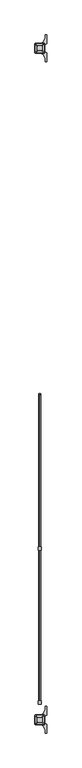
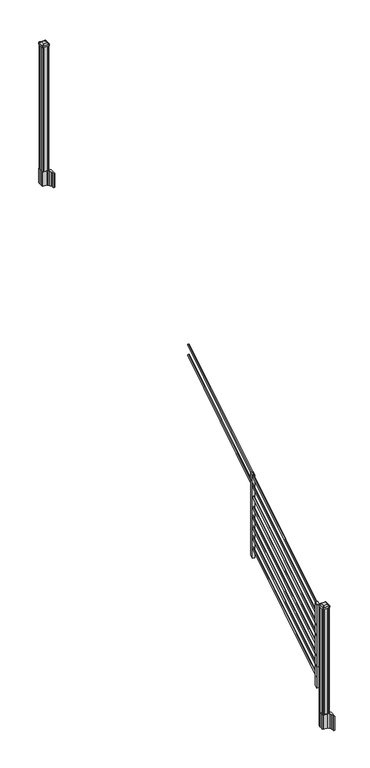
"""IFC4 building model written with IfcOpenShell, lengths in millimetres: railing geometry."""

from ifc_helpers import new_model, si_unit, point, frame, frame_2d, origin, origin_2d, place, context, project, spatial, polyline, circle_curve, trimmed, segment, composite_curve, outline, extrude, source, transform, mapped, element, save
from ifc_brep_helpers import plane_surface, extruded_surface, advanced_brep


def railing_e42d19f9(model_context):
    return source(origin(), model_context, "Body", "SolidModel", [
        extrude(outline(composite_curve([segment(trimmed(circle_curve(origin_2d(), 8.001), [point((0.0, -8.001))], [point((0.0, 8.001))], False, "CARTESIAN"), True, "CONTINUOUS"), segment(trimmed(circle_curve(origin_2d(), 8.001), [point((0.0, 8.001))], [point((0.0, -8.001))], False, "CARTESIAN"), True, "CONTINUOUS")], self_intersect=False)), frame((10055.5759347, -141507.6308453, 1880.2290853), z_axis=(0.0, 0.8479983040051253, 0.5299989400031202), x_axis=(-1.0, 0.0, 0.0)), (0.0, 0.0, 1.0), 1347.8800542),
        extrude(outline(composite_curve([segment(trimmed(circle_curve(origin_2d(), 8.001), [point((0.0, -8.001))], [point((0.0, 8.001))], False, "CARTESIAN"), True, "CONTINUOUS"), segment(trimmed(circle_curve(origin_2d(), 8.001), [point((0.0, 8.001))], [point((0.0, -8.001))], False, "CARTESIAN"), True, "CONTINUOUS")], self_intersect=False)), frame((10055.5759347, -141507.6308453, 1991.4189969), z_axis=(0.0, 0.8479983040051254, 0.5299989400031201), x_axis=(-1.0, 0.0, 0.0)), (0.0, 0.0, 1.0), 1347.8800542),
        extrude(outline(polyline([(-141489.8508453, 1123.1203781), (-141515.2508453, 1107.2453781), (-141515.2508453, 2000.5675), (-141489.8508453, 2016.4425), (-141489.8508453, 1123.1203781)])), frame((10042.5657728, 0.0, 0.0), z_axis=(1.0, 0.0, 0.0), x_axis=(0.0, 1.0, 0.0)), (0.0, 0.0, 1.0), 25.4),
        extrude(outline(composite_curve([segment(trimmed(circle_curve(origin_2d(), 8.001), [point((0.0, -8.001))], [point((0.0, 8.001))], False, "CARTESIAN"), True, "CONTINUOUS"), segment(trimmed(circle_curve(origin_2d(), 8.001), [point((0.0, 8.001))], [point((0.0, -8.001))], False, "CARTESIAN"), True, "CONTINUOUS")], self_intersect=False)), frame((10055.5759347, -142640.4708453, 505.0646159), z_axis=(0.0, 0.8479983040051253, 0.5299989400031202), x_axis=(-1.0, 0.0, 0.0)), (0.0, 0.0, 1.0), 1347.8800542),
        extrude(outline(composite_curve([segment(trimmed(circle_curve(origin_2d(), 8.001), [point((0.0, -8.001))], [point((0.0, 8.001))], False, "CARTESIAN"), True, "CONTINUOUS"), segment(trimmed(circle_curve(origin_2d(), 8.001), [point((0.0, 8.001))], [point((0.0, -8.001))], False, "CARTESIAN"), True, "CONTINUOUS")], self_intersect=False)), frame((10055.5759347, -142640.4708453, 616.2545274), z_axis=(0.0, 0.8479983040051253, 0.5299989400031202), x_axis=(-1.0, 0.0, 0.0)), (0.0, 0.0, 1.0), 1347.8800542),
        extrude(outline(composite_curve([segment(trimmed(circle_curve(origin_2d(), 8.001), [point((0.0, -8.001))], [point((0.0, 8.001))], False, "CARTESIAN"), True, "CONTINUOUS"), segment(trimmed(circle_curve(origin_2d(), 8.001), [point((0.0, 8.001))], [point((0.0, -8.001))], False, "CARTESIAN"), True, "CONTINUOUS")], self_intersect=False)), frame((10055.5759347, -142640.4708453, 727.444439), z_axis=(0.0, 0.8479983040051254, 0.5299989400031202), x_axis=(-1.0, 0.0, 0.0)), (0.0, 0.0, 1.0), 1347.8800542),
        extrude(outline(composite_curve([segment(trimmed(circle_curve(origin_2d(), 8.001), [point((0.0, -8.001))], [point((0.0, 8.001))], False, "CARTESIAN"), True, "CONTINUOUS"), segment(trimmed(circle_curve(origin_2d(), 8.001), [point((0.0, 8.001))], [point((0.0, -8.001))], False, "CARTESIAN"), True, "CONTINUOUS")], self_intersect=False)), frame((10055.5759347, -142640.4708453, 838.6343506), z_axis=(0.0, 0.8479983040051254, 0.5299989400031202), x_axis=(-1.0, 0.0, 0.0)), (0.0, 0.0, 1.0), 1347.8800542),
        extrude(outline(composite_curve([segment(trimmed(circle_curve(origin_2d(), 8.001), [point((0.0, -8.001))], [point((0.0, 8.001))], False, "CARTESIAN"), True, "CONTINUOUS"), segment(trimmed(circle_curve(origin_2d(), 8.001), [point((0.0, 8.001))], [point((0.0, -8.001))], False, "CARTESIAN"), True, "CONTINUOUS")], self_intersect=False)), frame((10055.5759347, -142640.4708453, 949.8242622), z_axis=(0.0, 0.8479983040051253, 0.5299989400031203), x_axis=(-1.0, 0.0, 0.0)), (0.0, 0.0, 1.0), 1347.8800542),
        extrude(outline(composite_curve([segment(trimmed(circle_curve(origin_2d(), 8.001), [point((0.0, -8.001))], [point((0.0, 8.001))], False, "CARTESIAN"), True, "CONTINUOUS"), segment(trimmed(circle_curve(origin_2d(), 8.001), [point((0.0, 8.001))], [point((0.0, -8.001))], False, "CARTESIAN"), True, "CONTINUOUS")], self_intersect=False)), frame((10055.5759347, -142640.4708453, 1061.0141737), z_axis=(0.0, 0.8479983040051253, 0.5299989400031203), x_axis=(-1.0, 0.0, 0.0)), (0.0, 0.0, 1.0), 1347.8800542),
        extrude(outline(composite_curve([segment(trimmed(circle_curve(origin_2d(), 8.001), [point((0.0, -8.001))], [point((0.0, 8.001))], False, "CARTESIAN"), True, "CONTINUOUS"), segment(trimmed(circle_curve(origin_2d(), 8.001), [point((0.0, 8.001))], [point((0.0, -8.001))], False, "CARTESIAN"), True, "CONTINUOUS")], self_intersect=False)), frame((10055.5759347, -142640.4708453, 1172.2040853), z_axis=(0.0, 0.8479983040051253, 0.5299989400031202), x_axis=(-1.0, 0.0, 0.0)), (0.0, 0.0, 1.0), 1347.8800542),
        extrude(outline(composite_curve([segment(trimmed(circle_curve(origin_2d(), 8.001), [point((0.0, -8.001))], [point((0.0, 8.001))], False, "CARTESIAN"), True, "CONTINUOUS"), segment(trimmed(circle_curve(origin_2d(), 8.001), [point((0.0, 8.001))], [point((0.0, -8.001))], False, "CARTESIAN"), True, "CONTINUOUS")], self_intersect=False)), frame((10055.5759347, -142640.4708453, 1283.3939969), z_axis=(0.0, 0.8479983040051254, 0.5299989400031201), x_axis=(-1.0, 0.0, 0.0)), (0.0, 0.0, 1.0), 1347.8800542),
        extrude(outline(polyline([(-142622.6908453, 415.0953781), (-142648.0908453, 399.2203781), (-142648.0908453, 1292.5425), (-142622.6908453, 1308.4175), (-142622.6908453, 415.0953781)])), frame((10042.5657728, 0.0, 0.0), z_axis=(1.0, 0.0, 0.0), x_axis=(0.0, 1.0, 0.0)), (0.0, 0.0, 1.0), 25.4),
        extrude(outline(polyline([(10085.4282728, -137852.0628453), (10075.0777728, -137852.0628453), (10074.3157728, -137850.4753453), (10036.2157728, -137850.4753453), (10035.4537728, -137852.0628453), (10025.1032728, -137852.0628453), (10023.5157728, -137850.4753453), (10023.5157728, -137840.1248453), (10025.1032728, -137839.3628453), (10025.1032728, -137801.2628453), (10023.5157728, -137800.5008453), (10023.5157728, -137790.1503453), (10025.1032728, -137788.5628453), (10035.4537728, -137788.5628453), (10036.2157728, -137790.1503453), (10074.3157728, -137790.1503453), (10075.0777728, -137788.5628453), (10085.4282728, -137788.5628453), (10087.0157728, -137790.1503453), (10087.0157728, -137800.5008453), (10085.4282728, -137801.2628453), (10085.4282728, -137839.3628453), (10087.0157728, -137840.1248453), (10087.0157728, -137850.4753453), (10085.4282728, -137852.0628453)])), frame((0.0, 0.0, 3048.0), z_axis=(0.0, 0.0, 1.0), x_axis=(1.0, 0.0, 0.0)), (0.0, 0.0, 1.0), 1339.974263),
        extrude(outline(composite_curve([segment(polyline([(10022.2140228, -137837.4449401), (10022.2140228, -137803.1807504), (10020.6265228, -137802.4187504), (10020.6265228, -137788.8878224), (10023.8407498, -137785.6735953), (10075.5214206, -137785.6735953), (10075.5214206, -137784.7528453), (10071.1710895, -137784.7528453), (10071.1710895, -137783.2985906), (10066.7976348, -137783.2985906), (10066.7976348, -137782.0145668), (10068.464907, -137782.0145668)]), True, "CONTINUOUS"), segment(trimmed(circle_curve(frame_2d((10068.464907, -137765.2713569)), 16.7432099), [point((10068.464907, -137782.0145668))], [point((10085.0870293, -137767.2813636))], True, "CARTESIAN"), True, "CONTINUOUS"), segment(polyline([(10085.0870293, -137767.2813636), (10092.8024736, -137750.2460251)]), True, "CONTINUOUS"), segment(trimmed(circle_curve(frame_2d((10047.7017103, -137733.9739755)), 47.9464123), [point((10092.8024736, -137750.2460251))], [point((10095.6481226, -137733.9739755))], True, "CARTESIAN"), True, "CONTINUOUS"), segment(polyline([(10095.6481226, -137733.9739755), (10095.6481226, -137721.9652359), (10107.8517103, -137721.9652359), (10107.8517103, -137787.2610953), (10089.9050228, -137798.8375116), (10089.9050228, -137802.4187504), (10088.3175228, -137803.1807504), (10088.3175228, -137837.4449401), (10089.9050228, -137838.2069401), (10089.9050228, -137841.788179), (10107.8517103, -137853.3645953), (10107.8517103, -137918.6604547), (10095.6481226, -137918.6604547), (10095.6481226, -137906.6517151)]), True, "CONTINUOUS"), segment(trimmed(circle_curve(frame_2d((10047.7017103, -137906.6517151)), 47.9464123), [point((10095.6481226, -137906.6517151))], [point((10092.8024736, -137890.3796654))], True, "CARTESIAN"), True, "CONTINUOUS"), segment(polyline([(10092.8024736, -137890.3796654), (10085.0870293, -137873.344327)]), True, "CONTINUOUS"), segment(trimmed(circle_curve(frame_2d((10068.464907, -137875.3543337)), 16.7432099), [point((10085.0870293, -137873.344327))], [point((10068.464907, -137858.6111238))], True, "CARTESIAN"), True, "CONTINUOUS"), segment(polyline([(10068.464907, -137858.6111238), (10076.2556192, -137858.6111238), (10076.2556192, -137857.3271), (10071.1710895, -137857.3271), (10071.1710895, -137855.8728453), (10075.5214206, -137855.8728453), (10075.5214206, -137854.9520953), (10023.8407498, -137854.9520953), (10020.6265228, -137851.7378682), (10020.6265228, -137838.2069401), (10022.2140228, -137837.4449401)]), True, "CONTINUOUS")], self_intersect=False), holes=[polyline([(10087.0157728, -137790.1503453), (10085.4282728, -137788.5628453), (10058.0289902, -137788.5628453), (10025.1032728, -137788.5628453), (10023.5157728, -137790.1503453), (10023.5157728, -137850.4753453), (10025.1032728, -137852.0628453), (10058.0289902, -137852.0628453), (10085.4282728, -137852.0628453), (10087.0157728, -137850.4753453), (10087.0157728, -137790.1503453)])]), frame((0.0, 0.0, 2895.6), z_axis=(0.0, 0.0, 1.0), x_axis=(1.0, 0.0, 0.0)), (0.0, 0.0, 1.0), 152.4),
        advanced_brep(
        [(10071.1407728, -137839.3628453, 4416.549263), (10074.3157728, -137836.1878453, 4416.549263), (10074.3157728, -137804.4378453, 4416.549263), (10071.1407728, -137801.2628453, 4416.549263), (10039.3907728, -137801.2628453, 4416.549263), (10036.2157728, -137804.4378453, 4416.549263), (10036.2157728, -137836.1878453, 4416.549263), (10039.3907728, -137839.3628453, 4416.549263), (10087.6507728, -137855.8728453, 4405.246263), (10022.8807728, -137855.8728453, 4405.246263), (10019.7057728, -137852.6978453, 4405.246263), (10019.7057728, -137787.9278453, 4405.246263), (10022.8807728, -137784.7528453, 4405.246263), (10087.6507728, -137784.7528453, 4405.246263), (10090.8257728, -137787.9278453, 4405.246263), (10090.8257728, -137852.6978453, 4405.246263)],
        [
            (0, 1, circle_curve(frame((10071.1407728, -137836.1878453, 4416.549263), z_axis=(0.0, 0.0, 1.0), x_axis=(0.0, 1.0, 0.0)), 3.175)),
            (1, 2),
            (2, 3, circle_curve(frame((10071.1407728, -137804.4378453, 4416.549263), z_axis=(0.0, 0.0, 1.0), x_axis=(0.0, 1.0, 0.0)), 3.175)),
            (3, 4),
            (4, 5, circle_curve(frame((10039.3907728, -137804.4378453, 4416.549263), z_axis=(0.0, 0.0, 1.0), x_axis=(0.0, 1.0, 0.0)), 3.175)),
            (5, 6),
            (6, 7, circle_curve(frame((10039.3907728, -137836.1878453, 4416.549263), z_axis=(0.0, 0.0, 1.0), x_axis=(0.0, 1.0, 0.0)), 3.175)),
            (7, 0),
            (8, 9),
            (9, 10, circle_curve(frame((10022.8807728, -137852.6978453, 4405.246263), z_axis=(0.0, 0.0, -1.0), x_axis=(0.0, 1.0, 0.0)), 3.175)),
            (10, 11),
            (11, 12, circle_curve(frame((10022.8807728, -137787.9278453, 4405.246263), z_axis=(0.0, 0.0, -1.0), x_axis=(0.0, 1.0, 0.0)), 3.175)),
            (12, 13),
            (13, 14, circle_curve(frame((10087.6507728, -137787.9278453, 4405.246263), z_axis=(0.0, 0.0, -1.0), x_axis=(0.0, 1.0, 0.0)), 3.175)),
            (14, 15),
            (15, 8, circle_curve(frame((10087.6507728, -137852.6978453, 4405.246263), z_axis=(0.0, 0.0, -1.0), x_axis=(0.0, 1.0, 0.0)), 3.175)),
            (15, 1),
            (0, 8),
            (14, 2),
            (13, 3),
            (12, 4),
            (11, 5),
            (10, 6),
            (9, 7),
        ],
        [
            plane_surface(frame((10055.2657728, -137820.3128453, 4416.549263), z_axis=(0.0, 0.0, 1.0), x_axis=(1.0, 0.0, 0.0))),
            plane_surface(frame((10055.2657728, -137820.3128453, 4405.246263), z_axis=(0.0, 0.0, -1.0), x_axis=(1.0, 0.0, 0.0))),
            extruded_surface(trimmed(circle_curve(frame((10087.6507728, -137852.6978453, 4405.246263), z_axis=(0.0, 0.0, 1.0), x_axis=(0.0, 1.0, 0.0)), 3.175), [point((10087.6507728, -137855.8728453, 4405.246263))], [point((10090.8257728, -137852.6978453, 4405.246263))], True, "CARTESIAN"), (-16.51000000000022, 16.50999999998021, 11.302999999999884), 25.940663233605864),
            plane_surface(frame((10090.8257728, -137820.3128453, 4405.246263), z_axis=(0.5649114395471312, 0.0, 0.8251515409116001), x_axis=(0.0, 1.0, 0.0))),
            extruded_surface(trimmed(circle_curve(frame((10087.6507728, -137787.9278453, 4405.246263), z_axis=(0.0, 0.0, 1.0), x_axis=(0.0, 1.0, 0.0)), 3.175), [point((10090.8257728, -137787.9278453, 4405.246263))], [point((10087.6507728, -137784.7528453, 4405.246263))], True, "CARTESIAN"), (-16.51000000000022, -16.510000000009313, 11.302999999999884), 25.940663233624388),
            plane_surface(frame((10055.2657728, -137784.7528453, 4405.246263), z_axis=(0.0, 0.564911439547091, 0.8251515409116277), x_axis=(-1.0, 0.0, 0.0))),
            extruded_surface(trimmed(circle_curve(frame((10022.8807728, -137787.9278453, 4405.246263), z_axis=(0.0, 0.0, 1.0), x_axis=(0.0, 1.0, 0.0)), 3.175), [point((10022.8807728, -137784.7528453, 4405.246263))], [point((10019.7057728, -137787.9278453, 4405.246263))], True, "CARTESIAN"), (16.51000000000022, -16.510000000009313, 11.302999999999884), 25.940663233624388),
            plane_surface(frame((10019.7057728, -137820.3128453, 4405.246263), z_axis=(-0.5649114395470521, 0.0, 0.8251515409116541), x_axis=(0.0, -1.0, 0.0))),
            extruded_surface(trimmed(circle_curve(frame((10022.8807728, -137852.6978453, 4405.246263), z_axis=(0.0, 0.0, 1.0), x_axis=(0.0, 1.0, 0.0)), 3.175), [point((10019.7057728, -137852.6978453, 4405.246263))], [point((10022.8807728, -137855.8728453, 4405.246263))], True, "CARTESIAN"), (16.51000000000022, 16.50999999998021, 11.302999999999884), 25.940663233605864),
            plane_surface(frame((10055.2657728, -137855.8728453, 4405.246263), z_axis=(0.0, -0.5649114395471048, 0.8251515409116182), x_axis=(1.0, 0.0, 0.0))),
        ],
        [
            (0, [[1, 2, 3, 4, 5, 6, 7, 8]]),
            (1, [[9, 10, 11, 12, 13, 14, 15, 16]]),
            (2, [[-16, 17, -1, 18]]),
            (3, [[-15, 19, -2, -17]]),
            (4, [[-14, 20, -3, -19]]),
            (5, [[-13, 21, -4, -20]]),
            (6, [[-12, 22, -5, -21]]),
            (7, [[-11, 23, -6, -22]]),
            (8, [[-10, 24, -7, -23]]),
            (9, [[-9, -18, -8, -24]]),
        ],
    ),
        extrude(outline(composite_curve([segment(polyline([(10087.6507728, -137855.8728453), (10022.8807728, -137855.8728453)]), True, "CONTINUOUS"), segment(trimmed(circle_curve(frame_2d((10022.8807728, -137852.6978453)), 3.175), [point((10022.8807728, -137855.8728453))], [point((10019.7057728, -137852.6978453))], False, "CARTESIAN"), True, "CONTINUOUS"), segment(polyline([(10019.7057728, -137852.6978453), (10019.7057728, -137787.9278453)]), True, "CONTINUOUS"), segment(trimmed(circle_curve(frame_2d((10022.8807728, -137787.9278453)), 3.175), [point((10019.7057728, -137787.9278453))], [point((10022.8807728, -137784.7528453))], False, "CARTESIAN"), True, "CONTINUOUS"), segment(polyline([(10022.8807728, -137784.7528453), (10087.6507728, -137784.7528453)]), True, "CONTINUOUS"), segment(trimmed(circle_curve(frame_2d((10087.6507728, -137787.9278453)), 3.175), [point((10087.6507728, -137784.7528453))], [point((10090.8257728, -137787.9278453))], False, "CARTESIAN"), True, "CONTINUOUS"), segment(polyline([(10090.8257728, -137787.9278453), (10090.8257728, -137852.6978453)]), True, "CONTINUOUS"), segment(trimmed(circle_curve(frame_2d((10087.6507728, -137852.6978453)), 3.175), [point((10090.8257728, -137852.6978453))], [point((10087.6507728, -137855.8728453))], False, "CARTESIAN"), True, "CONTINUOUS")], self_intersect=False)), frame((0.0, 0.0, 4387.974263), z_axis=(0.0, 0.0, 1.0), x_axis=(1.0, 0.0, 0.0)), (0.0, 0.0, 1.0), 17.272),
        extrude(outline(composite_curve([segment(polyline([(10022.2140228, -142777.7449401), (10022.2140228, -142743.4807504), (10020.6265228, -142742.7187504), (10020.6265228, -142729.1878224), (10023.8407498, -142725.9735953), (10075.5214206, -142725.9735953), (10075.5214206, -142725.0528453), (10071.1710895, -142725.0528453), (10071.1710895, -142723.5985906), (10066.7976348, -142723.5985906), (10066.7976348, -142722.3145668), (10068.464907, -142722.3145668)]), True, "CONTINUOUS"), segment(trimmed(circle_curve(frame_2d((10068.464907, -142705.5713569)), 16.7432099), [point((10068.464907, -142722.3145668))], [point((10085.0870293, -142707.5813636))], True, "CARTESIAN"), True, "CONTINUOUS"), segment(polyline([(10085.0870293, -142707.5813636), (10092.8024736, -142690.5460251)]), True, "CONTINUOUS"), segment(trimmed(circle_curve(frame_2d((10047.7017103, -142674.2739755)), 47.9464123), [point((10092.8024736, -142690.5460251))], [point((10095.6481226, -142674.2739755))], True, "CARTESIAN"), True, "CONTINUOUS"), segment(polyline([(10095.6481226, -142674.2739755), (10095.6481226, -142662.2652359), (10107.8517103, -142662.2652359), (10107.8517103, -142727.5610953), (10089.9050228, -142739.1375116), (10089.9050228, -142742.7187504), (10088.3175228, -142743.4807504), (10088.3175228, -142777.7449401), (10089.9050228, -142778.5069401), (10089.9050228, -142782.088179), (10107.8517103, -142793.6645953), (10107.8517103, -142858.9604547), (10095.6481226, -142858.9604547), (10095.6481226, -142846.9517151)]), True, "CONTINUOUS"), segment(trimmed(circle_curve(frame_2d((10047.7017103, -142846.9517151)), 47.9464123), [point((10095.6481226, -142846.9517151))], [point((10092.8024736, -142830.6796654))], True, "CARTESIAN"), True, "CONTINUOUS"), segment(polyline([(10092.8024736, -142830.6796654), (10085.0870293, -142813.644327)]), True, "CONTINUOUS"), segment(trimmed(circle_curve(frame_2d((10068.464907, -142815.6543337)), 16.7432099), [point((10085.0870293, -142813.644327))], [point((10068.464907, -142798.9111238))], True, "CARTESIAN"), True, "CONTINUOUS"), segment(polyline([(10068.464907, -142798.9111238), (10076.2556192, -142798.9111238), (10076.2556192, -142797.6271), (10071.1710895, -142797.6271), (10071.1710895, -142796.1728453), (10075.5214206, -142796.1728453), (10075.5214206, -142795.2520953), (10023.8407498, -142795.2520953), (10020.6265228, -142792.0378682), (10020.6265228, -142778.5069401), (10022.2140228, -142777.7449401)]), True, "CONTINUOUS")], self_intersect=False), holes=[polyline([(10087.0157728, -142730.4503453), (10085.4282728, -142728.8628453), (10058.0289902, -142728.8628453), (10025.1032728, -142728.8628453), (10023.5157728, -142730.4503453), (10023.5157728, -142790.7753453), (10025.1032728, -142792.3628453), (10058.0289902, -142792.3628453), (10085.4282728, -142792.3628453), (10087.0157728, -142790.7753453), (10087.0157728, -142730.4503453)])]), frame((0.0, 0.0, 50.00625), z_axis=(0.0, 0.0, 1.0), x_axis=(1.0, 0.0, 0.0)), (0.0, 0.0, 1.0), 152.4),
        advanced_brep(
        [(10071.1407728, -142779.6628453, 1367.755513), (10074.3157728, -142776.4878453, 1367.755513), (10074.3157728, -142744.7378453, 1367.755513), (10071.1407728, -142741.5628453, 1367.755513), (10039.3907728, -142741.5628453, 1367.755513), (10036.2157728, -142744.7378453, 1367.755513), (10036.2157728, -142776.4878453, 1367.755513), (10039.3907728, -142779.6628453, 1367.755513), (10087.6507728, -142796.1728453, 1356.452513), (10022.8807728, -142796.1728453, 1356.452513), (10019.7057728, -142792.9978453, 1356.452513), (10019.7057728, -142728.2278453, 1356.452513), (10022.8807728, -142725.0528453, 1356.452513), (10087.6507728, -142725.0528453, 1356.452513), (10090.8257728, -142728.2278453, 1356.452513), (10090.8257728, -142792.9978453, 1356.452513)],
        [
            (0, 1, circle_curve(frame((10071.1407728, -142776.4878453, 1367.755513), z_axis=(0.0, 0.0, 1.0), x_axis=(0.0, 1.0, 0.0)), 3.175)),
            (1, 2),
            (2, 3, circle_curve(frame((10071.1407728, -142744.7378453, 1367.755513), z_axis=(0.0, 0.0, 1.0), x_axis=(0.0, 1.0, 0.0)), 3.175)),
            (3, 4),
            (4, 5, circle_curve(frame((10039.3907728, -142744.7378453, 1367.755513), z_axis=(0.0, 0.0, 1.0), x_axis=(0.0, 1.0, 0.0)), 3.175)),
            (5, 6),
            (6, 7, circle_curve(frame((10039.3907728, -142776.4878453, 1367.755513), z_axis=(0.0, 0.0, 1.0), x_axis=(0.0, 1.0, 0.0)), 3.175)),
            (7, 0),
            (8, 9),
            (9, 10, circle_curve(frame((10022.8807728, -142792.9978453, 1356.452513), z_axis=(0.0, 0.0, -1.0), x_axis=(0.0, 1.0, 0.0)), 3.175)),
            (10, 11),
            (11, 12, circle_curve(frame((10022.8807728, -142728.2278453, 1356.452513), z_axis=(0.0, 0.0, -1.0), x_axis=(0.0, 1.0, 0.0)), 3.175)),
            (12, 13),
            (13, 14, circle_curve(frame((10087.6507728, -142728.2278453, 1356.452513), z_axis=(0.0, 0.0, -1.0), x_axis=(0.0, 1.0, 0.0)), 3.175)),
            (14, 15),
            (15, 8, circle_curve(frame((10087.6507728, -142792.9978453, 1356.452513), z_axis=(0.0, 0.0, -1.0), x_axis=(0.0, 1.0, 0.0)), 3.175)),
            (15, 1),
            (0, 8),
            (14, 2),
            (13, 3),
            (12, 4),
            (11, 5),
            (10, 6),
            (9, 7),
        ],
        [
            plane_surface(frame((10055.2657728, -142760.6128453, 1367.755513), z_axis=(0.0, 0.0, 1.0), x_axis=(1.0, 0.0, 0.0))),
            plane_surface(frame((10055.2657728, -142760.6128453, 1356.452513), z_axis=(0.0, 0.0, -1.0), x_axis=(1.0, 0.0, 0.0))),
            extruded_surface(trimmed(circle_curve(frame((10087.6507728, -142792.9978453, 1356.452513), z_axis=(0.0, 0.0, 1.0), x_axis=(0.0, 1.0, 0.0)), 3.175), [point((10087.6507728, -142796.1728453, 1356.452513))], [point((10090.8257728, -142792.9978453, 1356.452513))], True, "CARTESIAN"), (-16.51000000000022, 16.510000000009313, 11.303000000000111), 25.940663233624488),
            plane_surface(frame((10090.8257728, -142760.6128453, 1356.452513), z_axis=(0.5649114395471265, 0.0, 0.8251515409116033), x_axis=(0.0, 1.0, 0.0))),
            extruded_surface(trimmed(circle_curve(frame((10087.6507728, -142728.2278453, 1356.452513), z_axis=(0.0, 0.0, 1.0), x_axis=(0.0, 1.0, 0.0)), 3.175), [point((10090.8257728, -142728.2278453, 1356.452513))], [point((10087.6507728, -142725.0528453, 1356.452513))], True, "CARTESIAN"), (-16.51000000000022, -16.510000000009313, 11.303000000000111), 25.940663233624488),
            plane_surface(frame((10055.2657728, -142725.0528453, 1356.452513), z_axis=(0.0, 0.564911439547091, 0.8251515409116277), x_axis=(-1.0, 0.0, 0.0))),
            extruded_surface(trimmed(circle_curve(frame((10022.8807728, -142728.2278453, 1356.452513), z_axis=(0.0, 0.0, 1.0), x_axis=(0.0, 1.0, 0.0)), 3.175), [point((10022.8807728, -142725.0528453, 1356.452513))], [point((10019.7057728, -142728.2278453, 1356.452513))], True, "CARTESIAN"), (16.51000000000022, -16.510000000009313, 11.303000000000111), 25.940663233624488),
            plane_surface(frame((10019.7057728, -142760.6128453, 1356.452513), z_axis=(-0.5649114395470568, 0.0, 0.825151540911651), x_axis=(0.0, -1.0, 0.0))),
            extruded_surface(trimmed(circle_curve(frame((10022.8807728, -142792.9978453, 1356.452513), z_axis=(0.0, 0.0, 1.0), x_axis=(0.0, 1.0, 0.0)), 3.175), [point((10019.7057728, -142792.9978453, 1356.452513))], [point((10022.8807728, -142796.1728453, 1356.452513))], True, "CARTESIAN"), (16.51000000000022, 16.510000000009313, 11.303000000000111), 25.940663233624488),
            plane_surface(frame((10055.2657728, -142796.1728453, 1356.452513), z_axis=(0.0, -0.5649114395471048, 0.8251515409116182), x_axis=(1.0, 0.0, 0.0))),
        ],
        [
            (0, [[1, 2, 3, 4, 5, 6, 7, 8]]),
            (1, [[9, 10, 11, 12, 13, 14, 15, 16]]),
            (2, [[-16, 17, -1, 18]]),
            (3, [[-15, 19, -2, -17]]),
            (4, [[-14, 20, -3, -19]]),
            (5, [[-13, 21, -4, -20]]),
            (6, [[-12, 22, -5, -21]]),
            (7, [[-11, 23, -6, -22]]),
            (8, [[-10, 24, -7, -23]]),
            (9, [[-9, -18, -8, -24]]),
        ],
    ),
        extrude(outline(composite_curve([segment(polyline([(10087.6507728, -142796.1728453), (10022.8807728, -142796.1728453)]), True, "CONTINUOUS"), segment(trimmed(circle_curve(frame_2d((10022.8807728, -142792.9978453)), 3.175), [point((10022.8807728, -142796.1728453))], [point((10019.7057728, -142792.9978453))], False, "CARTESIAN"), True, "CONTINUOUS"), segment(polyline([(10019.7057728, -142792.9978453), (10019.7057728, -142728.2278453)]), True, "CONTINUOUS"), segment(trimmed(circle_curve(frame_2d((10022.8807728, -142728.2278453)), 3.175), [point((10019.7057728, -142728.2278453))], [point((10022.8807728, -142725.0528453))], False, "CARTESIAN"), True, "CONTINUOUS"), segment(polyline([(10022.8807728, -142725.0528453), (10087.6507728, -142725.0528453)]), True, "CONTINUOUS"), segment(trimmed(circle_curve(frame_2d((10087.6507728, -142728.2278453)), 3.175), [point((10087.6507728, -142725.0528453))], [point((10090.8257728, -142728.2278453))], False, "CARTESIAN"), True, "CONTINUOUS"), segment(polyline([(10090.8257728, -142728.2278453), (10090.8257728, -142792.9978453)]), True, "CONTINUOUS"), segment(trimmed(circle_curve(frame_2d((10087.6507728, -142792.9978453)), 3.175), [point((10090.8257728, -142792.9978453))], [point((10087.6507728, -142796.1728453))], False, "CARTESIAN"), True, "CONTINUOUS")], self_intersect=False)), frame((0.0, 0.0, 1339.180513), z_axis=(0.0, 0.0, 1.0), x_axis=(1.0, 0.0, 0.0)), (0.0, 0.0, 1.0), 17.272),
        extrude(outline(polyline([(10085.4282728, -142792.3628453), (10075.0777728, -142792.3628453), (10074.3157728, -142790.7753453), (10036.2157728, -142790.7753453), (10035.4537728, -142792.3628453), (10025.1032728, -142792.3628453), (10023.5157728, -142790.7753453), (10023.5157728, -142780.4248453), (10025.1032728, -142779.6628453), (10025.1032728, -142741.5628453), (10023.5157728, -142740.8008453), (10023.5157728, -142730.4503453), (10025.1032728, -142728.8628453), (10035.4537728, -142728.8628453), (10036.2157728, -142730.4503453), (10074.3157728, -142730.4503453), (10075.0777728, -142728.8628453), (10085.4282728, -142728.8628453), (10087.0157728, -142730.4503453), (10087.0157728, -142740.8008453), (10085.4282728, -142741.5628453), (10085.4282728, -142779.6628453), (10087.0157728, -142780.4248453), (10087.0157728, -142790.7753453), (10085.4282728, -142792.3628453)])), frame((0.0, 0.0, 202.40625), z_axis=(0.0, 0.0, 1.0), x_axis=(1.0, 0.0, 0.0)), (0.0, 0.0, 1.0), 1136.774263),
    ])


if __name__ == "__main__":
    model = new_model("IFC4")
    model_context = context("Model", 3, world=origin())
    ifc_project = project(units=[si_unit("LENGTHUNIT", "METRE", prefix="MILLI")], contexts=[model_context])
    site = spatial("IfcSite", under=ifc_project)
    building = spatial("IfcBuilding", under=site)
    placement = place(None, origin())
    railing_shape = railing_e42d19f9(model_context)
    element("IfcRailing", 1, at=placement, inside=building, context=model_context, shape_type="MappedRepresentation", body=[
        mapped(railing_shape, transform((0.0, 0.0, 0.0), x_axis=(1.0, 0.0, 0.0), y_axis=(0.0, 1.0, 0.0), z_axis=(0.0, 0.0, 1.0))),
    ])
    save(model, "model.ifc")
